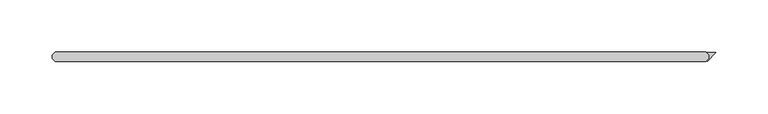
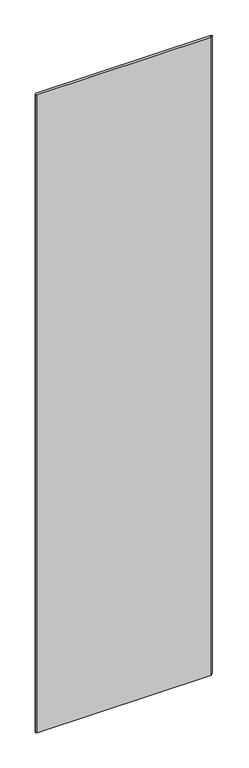
"""IFC4 building model written with IfcOpenShell, lengths in millimetres: plate geometry."""

import ifcopenshell
import ifcopenshell.guid

model = None  # the IFC model being written
_history = None  # IfcOwnerHistory: only IFC2X3 demands one
_inside = {}  # id of a spatial element -> (the spatial element, [elements in it])
_under = {}  # id of a project, library or spatial element -> (it, [spatial elements below it])
_declared = {}  # id of a project -> (the project, [libraries it declares])
_typed = {}  # id of a type object -> (the type object, [elements of that type])
_made_of = {}  # id of a material, layer set ... -> (it, [elements and type objects made of it])


def new_model(schema):
    """Start an empty IFC model of exactly this schema.

    Asked for "IFC4X3", IfcOpenShell would pick the latest addendum, in which some entities
    have other attributes; the version numbers below select the first issue.
    IFC2X3 requires an IfcOwnerHistory on every rooted entity: one is made here for all.
    """
    global model, _history
    if schema == "IFC4X3":
        model = ifcopenshell.file(schema_version=(4, 3, 0, 0))
    else:
        model = ifcopenshell.file(schema=schema)
    _inside.clear()
    _under.clear()
    _declared.clear()
    _typed.clear()
    _made_of.clear()
    _history = None
    if model.schema == "IFC2X3":
        org = make("IfcOrganization", Name="unknown")
        user = make(
            "IfcPersonAndOrganization",
            ThePerson=make("IfcPerson", FamilyName="unknown"),
            TheOrganization=org,
        )
        app = make(
            "IfcApplication",
            ApplicationDeveloper=org,
            Version="unknown",
            ApplicationFullName="unknown",
            ApplicationIdentifier="unknown",
        )
        _history = make(
            "IfcOwnerHistory",
            OwningUser=user,
            OwningApplication=app,
            ChangeAction="ADDED",
            CreationDate=0,
        )
    return model


def make(cls, **values):
    """One entity of the class cls with the attributes given. An attribute that is None is left unset."""
    return model.create_entity(
        cls, **{name: value for name, value in values.items() if value is not None}
    )


def rooted(cls, **values):
    """An entity with a GlobalId (a new one), such as an element, a storey or a relation."""
    return make(cls, GlobalId=ifcopenshell.guid.new(), OwnerHistory=_history, **values)


def si_unit(unit_type, name, prefix=None):
    """IfcSIUnit, for example si_unit("LENGTHUNIT", "METRE", prefix="MILLI")."""
    return make("IfcSIUnit", UnitType=unit_type, Prefix=prefix, Name=name)


def assignment(units):
    """IfcUnitAssignment: the units of a project."""
    return None if units is None else make("IfcUnitAssignment", Units=units)


def point(xyz):
    """IfcCartesianPoint."""
    return None if xyz is None else make("IfcCartesianPoint", Coordinates=xyz)


def direction(xyz):
    """IfcDirection."""
    return None if xyz is None else make("IfcDirection", DirectionRatios=xyz)


def frame(location, z_axis=None, x_axis=None):
    """IfcAxis2Placement3D, a coordinate frame: its origin and axes. An axis left out is left unset."""
    return make(
        "IfcAxis2Placement3D",
        Location=point(location),
        Axis=direction(z_axis),
        RefDirection=direction(x_axis),
    )


def origin():
    """The frame at (0, 0, 0) with its axes left unset."""
    return frame((0.0, 0.0, 0.0))


def origin_with_axes():
    """The frame at (0, 0, 0) with the z axis (0, 0, 1) and the x axis (1, 0, 0) written out."""
    return frame((0.0, 0.0, 0.0), z_axis=(0.0, 0.0, 1.0), x_axis=(1.0, 0.0, 0.0))


def place(relative_to, where):
    """IfcLocalPlacement: puts the frame where relative to a parent placement (None: the world)."""
    return make(
        "IfcLocalPlacement", PlacementRelTo=relative_to, RelativePlacement=where
    )


def context(
    kind, dimensions, precision=None, world=None, true_north=None, identifier=None
):
    """IfcGeometricRepresentationContext, for example the 3D "Model" context."""
    return make(
        "IfcGeometricRepresentationContext",
        ContextIdentifier=identifier,
        ContextType=kind,
        CoordinateSpaceDimension=dimensions,
        Precision=precision,
        WorldCoordinateSystem=world,
        TrueNorth=true_north,
    )


def project(units=None, contexts=None):
    """IfcProject with its units and contexts."""
    return rooted(
        "IfcProject",
        Name="project",
        RepresentationContexts=contexts,
        UnitsInContext=assignment(units),
    )


def spatial(cls, under=None, at=None, **own):
    """A site, building, storey or space (cls), placed at a placement, below another one or the project."""
    s = rooted(cls, ObjectPlacement=at, **own)
    if under is not None:
        _under.setdefault(under.id(), (under, []))[1].append(s)
    return s


def polyline(points):
    """IfcPolyline through the points."""
    return make("IfcPolyline", Points=[point(p) for p in points])


def outline(outer, holes=None, kind="AREA"):
    """IfcArbitraryClosedProfileDef: a profile drawn as a closed curve; with holes, ...WithVoids."""
    if holes is None:
        return make("IfcArbitraryClosedProfileDef", ProfileType=kind, OuterCurve=outer)
    return make(
        "IfcArbitraryProfileDefWithVoids",
        ProfileType=kind,
        OuterCurve=outer,
        InnerCurves=holes,
    )


def extrude(swept, where, along, depth):
    """IfcExtrudedAreaSolid: the profile swept, set in the frame where, extruded along a direction by depth."""
    return make(
        "IfcExtrudedAreaSolid",
        SweptArea=swept,
        Position=where,
        ExtrudedDirection=direction(along),
        Depth=depth,
    )


def shape(context_of_items, identifier, shape_type, items):
    """IfcShapeRepresentation: the items that make up one representation, for example the "Body"."""
    return make(
        "IfcShapeRepresentation",
        ContextOfItems=context_of_items,
        RepresentationIdentifier=identifier,
        RepresentationType=shape_type,
        Items=items,
    )


def source(mapping_origin, context_of_items, identifier, shape_type, items):
    """IfcRepresentationMap: a shape defined once, which mapped items show again and again."""
    return make(
        "IfcRepresentationMap",
        MappingOrigin=mapping_origin,
        MappedRepresentation=shape(context_of_items, identifier, shape_type, items),
    )


def transform(
    local_origin,
    x_axis=None,
    y_axis=None,
    z_axis=None,
    scale=None,
    scale2=None,
    scale3=None,
    uniform=True,
):
    """IfcCartesianTransformationOperator3D, or its non-uniform kind. x_axis, y_axis, z_axis: its Axis1, 2, 3."""
    if uniform:
        return make(
            "IfcCartesianTransformationOperator3D",
            Axis1=direction(x_axis),
            Axis2=direction(y_axis),
            LocalOrigin=point(local_origin),
            Scale=scale,
            Axis3=direction(z_axis),
        )
    return make(
        "IfcCartesianTransformationOperator3DnonUniform",
        Axis1=direction(x_axis),
        Axis2=direction(y_axis),
        LocalOrigin=point(local_origin),
        Scale=scale,
        Axis3=direction(z_axis),
        Scale2=scale2,
        Scale3=scale3,
    )


def mapped(mapping_source, mapping_target):
    """IfcMappedItem: shows the shape of a source again, moved by a transform."""
    return make(
        "IfcMappedItem", MappingSource=mapping_source, MappingTarget=mapping_target
    )


def made_of(thing, what):
    """Note that an element or type object is made of a material, layer set ...; save() writes the relation."""
    if what is not None:
        _made_of.setdefault(what.id(), (what, []))[1].append(thing)
    return thing


def element(
    cls,
    number,
    at=None,
    inside=None,
    cuts=None,
    type_object=None,
    material=None,
    context=None,
    identifier="Body",
    shape_type=None,
    held_by="IfcProductDefinitionShape",
    body=None,
    shapes=None,
    **own,
):
    """One element of the class cls, such as IfcWall. Its Tag is "e" and its number.

    at: its placement. inside: the storey or other place that contains it. cuts: it is an
    opening in that element (IfcRelVoidsElement). A single representation is given by context,
    identifier, shape_type and body (its items); several are given by shapes. held_by: the class
    of the entity that holds the representations. save() writes the other relations.
    """
    e = rooted(cls, Tag="e%d" % number, ObjectPlacement=at, **own)
    if body is not None:
        shapes = [shape(context, identifier, shape_type, body)]
    if shapes is not None:
        e.Representation = make(held_by, Representations=shapes)
    if inside is not None:
        _inside.setdefault(inside.id(), (inside, []))[1].append(e)
    if cuts is not None:
        rooted(
            "IfcRelVoidsElement", RelatingBuildingElement=cuts, RelatedOpeningElement=e
        )
    if type_object is not None:
        _typed.setdefault(type_object.id(), (type_object, []))[1].append(e)
    return made_of(e, material)


def aggregate(whole, parts):
    """IfcRelAggregates: a whole, such as a stair, and the parts it consists of."""
    return rooted("IfcRelAggregates", RelatingObject=whole, RelatedObjects=parts)


def save(model, path):
    """Write the relations noted so far, then the file.

    IfcRelAggregates (storeys below a building ...), IfcRelContainedInSpatialStructure (elements
    in a storey), IfcRelDefinesByType, IfcRelAssociatesMaterial and IfcRelDeclares: one each for
    every whole, place, type object, material and project.
    """
    for whole, parts in _under.values():
        aggregate(whole, parts)
    for where, things in _inside.values():
        rooted(
            "IfcRelContainedInSpatialStructure",
            RelatedElements=things,
            RelatingStructure=where,
        )
    for kind, things in _typed.values():
        rooted("IfcRelDefinesByType", RelatedObjects=things, RelatingType=kind)
    for what, things in _made_of.values():
        rooted("IfcRelAssociatesMaterial", RelatedObjects=things, RelatingMaterial=what)
    for by, libraries in _declared.values():
        rooted("IfcRelDeclares", RelatingContext=by, RelatedDefinitions=libraries)
    model.write(path)


def plate_b5550b5f(model_context):
    return source(origin(), model_context, "Body", "SweptSolid", [
        extrude(outline(polyline([(314.393093, 1.5875), (312.011843, 3.96875), (321.071875, 3.96875), (312.573109, -4.530016), (312.011843, -3.96875), (314.393093, -1.5875), (314.393093, 1.5875)])), origin_with_axes(), (0.0, 0.0, 1.0), 2427.1914267),
        extrude(outline(polyline([(311.218093, 4.7625), (314.393093, 1.5875), (314.393093, -1.5875), (311.218093, -4.7625), (-313.928125, -4.7625), (-317.103125, -1.5875), (-317.103125, 1.5875), (-313.928125, 4.7625), (311.218093, 4.7625)])), origin_with_axes(), (0.0, 0.0, 1.0), 2427.1914267),
    ])


if __name__ == "__main__":
    model = new_model("IFC4")
    model_context = context("Model", 3, world=origin())
    ifc_project = project(units=[si_unit("LENGTHUNIT", "METRE", prefix="MILLI")], contexts=[model_context])
    site = spatial("IfcSite", under=ifc_project)
    building = spatial("IfcBuilding", under=site)
    placement = place(None, origin())
    plate_shape = plate_b5550b5f(model_context)
    element("IfcPlate", 1, at=placement, inside=building, context=model_context, shape_type="MappedRepresentation", body=[
        mapped(plate_shape, transform((0.0, 0.0, 0.0), x_axis=(1.0, 0.0, 0.0), y_axis=(0.0, 1.0, 0.0), z_axis=(0.0, 0.0, 1.0))),
    ])
    save(model, "model.ifc")
